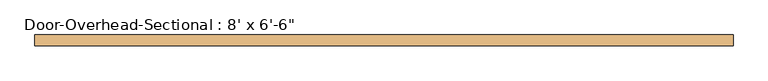
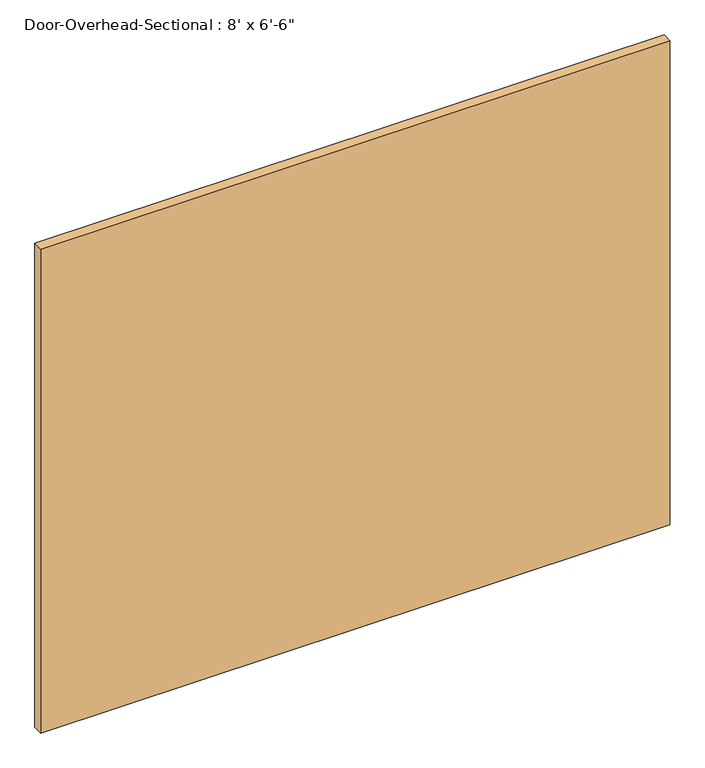
"""IFC4 building model written with IfcOpenShell, lengths in millimetres: door geometry."""

from ifc_helpers import new_model, si_unit, origin, origin_with_axes, place, context, project, spatial, polyline, outline, extrude, source, transform, mapped, element, save


def door_8bec8b28(model_context):
    return source(origin(), model_context, "Body", "SweptSolid", [
        extrude(outline(polyline([(1219.2, -152.4), (1219.2, -190.5), (-1219.2, -190.5), (-1219.2, -152.4), (1219.2, -152.4)])), origin_with_axes(), (0.0, 0.0, 1.0), 1981.2),
    ])


if __name__ == "__main__":
    model = new_model("IFC4")
    model_context = context("Model", 3, world=origin())
    ifc_project = project(units=[si_unit("LENGTHUNIT", "METRE", prefix="MILLI")], contexts=[model_context])
    site = spatial("IfcSite", under=ifc_project)
    building = spatial("IfcBuilding", under=site)
    placement = place(None, origin())
    door_shape = door_8bec8b28(model_context)
    element("IfcDoor", 1, ObjectType="Door-Overhead-Sectional : 8' x 6'-6\"", at=placement, inside=building, context=model_context, shape_type="MappedRepresentation", body=[
        mapped(door_shape, transform((0.0, 0.0, 0.0), x_axis=(1.0, 0.0, 0.0), y_axis=(0.0, 1.0, 0.0), z_axis=(0.0, 0.0, 1.0))),
    ])
    save(model, "model.ifc")
